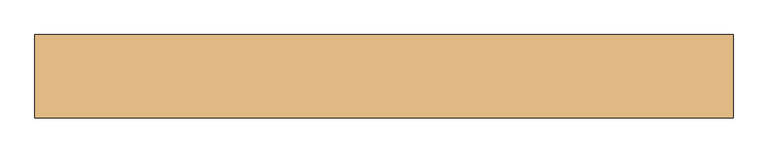
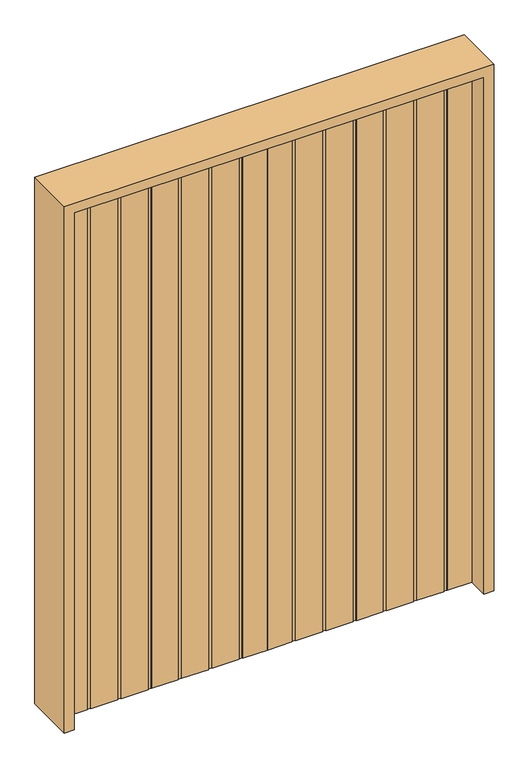
"""IFC4 building model written with IfcOpenShell, lengths in millimetres: door geometry."""

from ifc_helpers import new_model, si_unit, frame, origin, origin_with_axes, place, context, project, spatial, polyline, outline, extrude, source, transform, mapped, element, save


def door_bd69da4c(model_context):
    return source(origin(), model_context, "Body", "SweptSolid", [
        extrude(outline(polyline([(0.0, 22.225), (0.0, -22.225), (-111.2242188, -22.225), (-111.2242188, -19.05), (-126.5039063, -19.05), (-126.5039063, -22.225), (-246.5585938, -22.225), (-246.5585938, -19.05), (-261.8382813, -19.05), (-261.8382813, -22.225), (-381.8929688, -22.225), (-381.8929688, -19.05), (-397.1726563, -19.05), (-397.1726563, -22.225), (-517.2273438, -22.225), (-517.2273438, -19.05), (-532.5070313, -19.05), (-532.5070313, -22.225), (-652.5617188, -22.225), (-652.5617188, -19.05), (-667.8414063, -19.05), (-667.8414063, -22.225), (-787.8960938, -22.225), (-787.8960938, -19.05), (-803.1757813, -19.05), (-803.1757813, -22.225), (-914.4, -22.225), (-914.4, 22.225), (-803.1757813, 22.225), (-803.1757813, 19.05), (-787.8960938, 19.05), (-787.8960938, 22.225), (-667.8414063, 22.225), (-667.8414063, 19.05), (-652.5617188, 19.05), (-652.5617188, 22.225), (-532.5070313, 22.225), (-532.5070313, 19.05), (-517.2273438, 19.05), (-517.2273438, 22.225), (-397.1726563, 22.225), (-397.1726563, 19.05), (-381.8929688, 19.05), (-381.8929688, 22.225), (-261.8382813, 22.225), (-261.8382813, 19.05), (-246.5585938, 19.05), (-246.5585938, 22.225), (-126.5039063, 22.225), (-126.5039063, 19.05), (-111.2242188, 19.05), (-111.2242188, 22.225), (0.0, 22.225)])), origin_with_axes(), (0.0, 0.0, 1.0), 2438.4),
        extrude(outline(polyline([(0.0, 22.225), (111.2242187, 22.225), (111.2242187, 19.05), (126.5039062, 19.05), (126.5039062, 22.225), (246.5585937, 22.225), (246.5585937, 19.05), (261.8382812, 19.05), (261.8382812, 22.225), (381.8929687, 22.225), (381.8929687, 19.05), (397.1726562, 19.05), (397.1726562, 22.225), (517.2273437, 22.225), (517.2273437, 19.05), (532.5070312, 19.05), (532.5070312, 22.225), (652.5617187, 22.225), (652.5617187, 19.05), (667.8414062, 19.05), (667.8414062, 22.225), (787.8960937, 22.225), (787.8960937, 19.05), (803.1757812, 19.05), (803.1757812, 22.225), (914.4, 22.225), (914.4, -22.225), (803.1757812, -22.225), (803.1757812, -19.05), (787.8960937, -19.05), (787.8960937, -22.225), (667.8414062, -22.225), (667.8414062, -19.05), (652.5617187, -19.05), (652.5617187, -22.225), (532.5070312, -22.225), (532.5070312, -19.05), (517.2273437, -19.05), (517.2273437, -22.225), (397.1726562, -22.225), (397.1726562, -19.05), (381.8929687, -19.05), (381.8929687, -22.225), (261.8382812, -22.225), (261.8382812, -19.05), (246.5585937, -19.05), (246.5585937, -22.225), (126.5039062, -22.225), (126.5039062, -19.05), (111.2242187, -19.05), (111.2242187, -22.225), (0.0, -22.225), (0.0, 22.225)])), origin_with_axes(), (0.0, 0.0, 1.0), 2438.4),
        extrude(outline(polyline([(0.0, -958.85), (0.0, -914.4), (2438.4, -914.4), (2438.4, 914.4), (0.0, 914.4), (0.0, 958.85), (2482.85, 958.85), (2482.85, -958.85), (0.0, -958.85)])), frame((0.0, -114.3, 0.0), z_axis=(0.0, 1.0, 0.0), x_axis=(0.0, 0.0, 1.0)), (0.0, 0.0, 1.0), 228.6),
    ])


if __name__ == "__main__":
    model = new_model("IFC4")
    model_context = context("Model", 3, world=origin())
    ifc_project = project(units=[si_unit("LENGTHUNIT", "METRE", prefix="MILLI")], contexts=[model_context])
    site = spatial("IfcSite", under=ifc_project)
    building = spatial("IfcBuilding", under=site)
    placement = place(None, origin())
    door_shape = door_bd69da4c(model_context)
    element("IfcDoor", 1, at=placement, inside=building, context=model_context, shape_type="MappedRepresentation", body=[
        mapped(door_shape, transform((0.0, 0.0, 0.0), x_axis=(1.0, 0.0, 0.0), y_axis=(0.0, 1.0, 0.0), z_axis=(0.0, 0.0, 1.0))),
    ])
    save(model, "model.ifc")
